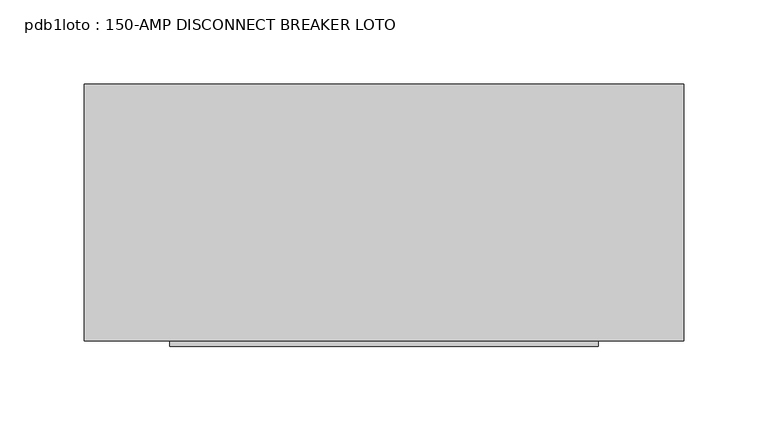
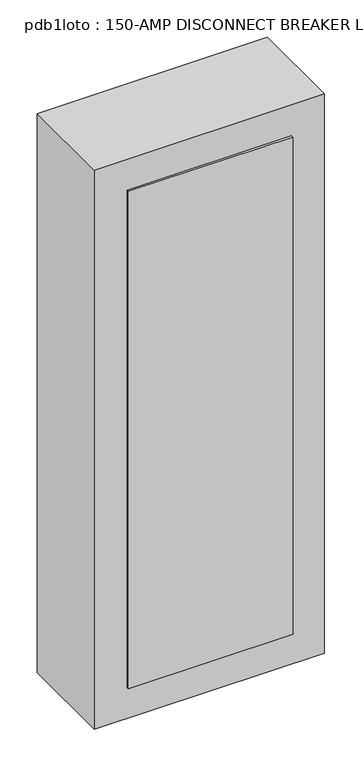
"""IFC4 building model written with IfcOpenShell, lengths in millimetres: proxy geometry, pdb1loto : 150-AMP DISCONNECT BREAKER LOTO."""

import ifcopenshell
import ifcopenshell.guid

model = None  # the IFC model being written
_history = None  # IfcOwnerHistory: only IFC2X3 demands one
_inside = {}  # id of a spatial element -> (the spatial element, [elements in it])
_under = {}  # id of a project, library or spatial element -> (it, [spatial elements below it])
_declared = {}  # id of a project -> (the project, [libraries it declares])
_typed = {}  # id of a type object -> (the type object, [elements of that type])
_made_of = {}  # id of a material, layer set ... -> (it, [elements and type objects made of it])


def new_model(schema):
    """Start an empty IFC model of exactly this schema.

    Asked for "IFC4X3", IfcOpenShell would pick the latest addendum, in which some entities
    have other attributes; the version numbers below select the first issue.
    IFC2X3 requires an IfcOwnerHistory on every rooted entity: one is made here for all.
    """
    global model, _history
    if schema == "IFC4X3":
        model = ifcopenshell.file(schema_version=(4, 3, 0, 0))
    else:
        model = ifcopenshell.file(schema=schema)
    _inside.clear()
    _under.clear()
    _declared.clear()
    _typed.clear()
    _made_of.clear()
    _history = None
    if model.schema == "IFC2X3":
        org = make("IfcOrganization", Name="unknown")
        user = make(
            "IfcPersonAndOrganization",
            ThePerson=make("IfcPerson", FamilyName="unknown"),
            TheOrganization=org,
        )
        app = make(
            "IfcApplication",
            ApplicationDeveloper=org,
            Version="unknown",
            ApplicationFullName="unknown",
            ApplicationIdentifier="unknown",
        )
        _history = make(
            "IfcOwnerHistory",
            OwningUser=user,
            OwningApplication=app,
            ChangeAction="ADDED",
            CreationDate=0,
        )
    return model


def make(cls, **values):
    """One entity of the class cls with the attributes given. An attribute that is None is left unset."""
    return model.create_entity(
        cls, **{name: value for name, value in values.items() if value is not None}
    )


def rooted(cls, **values):
    """An entity with a GlobalId (a new one), such as an element, a storey or a relation."""
    return make(cls, GlobalId=ifcopenshell.guid.new(), OwnerHistory=_history, **values)


def si_unit(unit_type, name, prefix=None):
    """IfcSIUnit, for example si_unit("LENGTHUNIT", "METRE", prefix="MILLI")."""
    return make("IfcSIUnit", UnitType=unit_type, Prefix=prefix, Name=name)


def assignment(units):
    """IfcUnitAssignment: the units of a project."""
    return None if units is None else make("IfcUnitAssignment", Units=units)


def point(xyz):
    """IfcCartesianPoint."""
    return None if xyz is None else make("IfcCartesianPoint", Coordinates=xyz)


def direction(xyz):
    """IfcDirection."""
    return None if xyz is None else make("IfcDirection", DirectionRatios=xyz)


def frame(location, z_axis=None, x_axis=None):
    """IfcAxis2Placement3D, a coordinate frame: its origin and axes. An axis left out is left unset."""
    return make(
        "IfcAxis2Placement3D",
        Location=point(location),
        Axis=direction(z_axis),
        RefDirection=direction(x_axis),
    )


def origin():
    """The frame at (0, 0, 0) with its axes left unset."""
    return frame((0.0, 0.0, 0.0))


def place(relative_to, where):
    """IfcLocalPlacement: puts the frame where relative to a parent placement (None: the world)."""
    return make(
        "IfcLocalPlacement", PlacementRelTo=relative_to, RelativePlacement=where
    )


def context(
    kind, dimensions, precision=None, world=None, true_north=None, identifier=None
):
    """IfcGeometricRepresentationContext, for example the 3D "Model" context."""
    return make(
        "IfcGeometricRepresentationContext",
        ContextIdentifier=identifier,
        ContextType=kind,
        CoordinateSpaceDimension=dimensions,
        Precision=precision,
        WorldCoordinateSystem=world,
        TrueNorth=true_north,
    )


def project(units=None, contexts=None):
    """IfcProject with its units and contexts."""
    return rooted(
        "IfcProject",
        Name="project",
        RepresentationContexts=contexts,
        UnitsInContext=assignment(units),
    )


def spatial(cls, under=None, at=None, **own):
    """A site, building, storey or space (cls), placed at a placement, below another one or the project."""
    s = rooted(cls, ObjectPlacement=at, **own)
    if under is not None:
        _under.setdefault(under.id(), (under, []))[1].append(s)
    return s


def polyline(points):
    """IfcPolyline through the points."""
    return make("IfcPolyline", Points=[point(p) for p in points])


def outline(outer, holes=None, kind="AREA"):
    """IfcArbitraryClosedProfileDef: a profile drawn as a closed curve; with holes, ...WithVoids."""
    if holes is None:
        return make("IfcArbitraryClosedProfileDef", ProfileType=kind, OuterCurve=outer)
    return make(
        "IfcArbitraryProfileDefWithVoids",
        ProfileType=kind,
        OuterCurve=outer,
        InnerCurves=holes,
    )


def extrude(swept, where, along, depth):
    """IfcExtrudedAreaSolid: the profile swept, set in the frame where, extruded along a direction by depth."""
    return make(
        "IfcExtrudedAreaSolid",
        SweptArea=swept,
        Position=where,
        ExtrudedDirection=direction(along),
        Depth=depth,
    )


def shape(context_of_items, identifier, shape_type, items):
    """IfcShapeRepresentation: the items that make up one representation, for example the "Body"."""
    return make(
        "IfcShapeRepresentation",
        ContextOfItems=context_of_items,
        RepresentationIdentifier=identifier,
        RepresentationType=shape_type,
        Items=items,
    )


def source(mapping_origin, context_of_items, identifier, shape_type, items):
    """IfcRepresentationMap: a shape defined once, which mapped items show again and again."""
    return make(
        "IfcRepresentationMap",
        MappingOrigin=mapping_origin,
        MappedRepresentation=shape(context_of_items, identifier, shape_type, items),
    )


def transform(
    local_origin,
    x_axis=None,
    y_axis=None,
    z_axis=None,
    scale=None,
    scale2=None,
    scale3=None,
    uniform=True,
):
    """IfcCartesianTransformationOperator3D, or its non-uniform kind. x_axis, y_axis, z_axis: its Axis1, 2, 3."""
    if uniform:
        return make(
            "IfcCartesianTransformationOperator3D",
            Axis1=direction(x_axis),
            Axis2=direction(y_axis),
            LocalOrigin=point(local_origin),
            Scale=scale,
            Axis3=direction(z_axis),
        )
    return make(
        "IfcCartesianTransformationOperator3DnonUniform",
        Axis1=direction(x_axis),
        Axis2=direction(y_axis),
        LocalOrigin=point(local_origin),
        Scale=scale,
        Axis3=direction(z_axis),
        Scale2=scale2,
        Scale3=scale3,
    )


def mapped(mapping_source, mapping_target):
    """IfcMappedItem: shows the shape of a source again, moved by a transform."""
    return make(
        "IfcMappedItem", MappingSource=mapping_source, MappingTarget=mapping_target
    )


def made_of(thing, what):
    """Note that an element or type object is made of a material, layer set ...; save() writes the relation."""
    if what is not None:
        _made_of.setdefault(what.id(), (what, []))[1].append(thing)
    return thing


def element(
    cls,
    number,
    at=None,
    inside=None,
    cuts=None,
    type_object=None,
    material=None,
    context=None,
    identifier="Body",
    shape_type=None,
    held_by="IfcProductDefinitionShape",
    body=None,
    shapes=None,
    **own,
):
    """One element of the class cls, such as IfcWall. Its Tag is "e" and its number.

    at: its placement. inside: the storey or other place that contains it. cuts: it is an
    opening in that element (IfcRelVoidsElement). A single representation is given by context,
    identifier, shape_type and body (its items); several are given by shapes. held_by: the class
    of the entity that holds the representations. save() writes the other relations.
    """
    e = rooted(cls, Tag="e%d" % number, ObjectPlacement=at, **own)
    if body is not None:
        shapes = [shape(context, identifier, shape_type, body)]
    if shapes is not None:
        e.Representation = make(held_by, Representations=shapes)
    if inside is not None:
        _inside.setdefault(inside.id(), (inside, []))[1].append(e)
    if cuts is not None:
        rooted(
            "IfcRelVoidsElement", RelatingBuildingElement=cuts, RelatedOpeningElement=e
        )
    if type_object is not None:
        _typed.setdefault(type_object.id(), (type_object, []))[1].append(e)
    return made_of(e, material)


def aggregate(whole, parts):
    """IfcRelAggregates: a whole, such as a stair, and the parts it consists of."""
    return rooted("IfcRelAggregates", RelatingObject=whole, RelatedObjects=parts)


def save(model, path):
    """Write the relations noted so far, then the file.

    IfcRelAggregates (storeys below a building ...), IfcRelContainedInSpatialStructure (elements
    in a storey), IfcRelDefinesByType, IfcRelAssociatesMaterial and IfcRelDeclares: one each for
    every whole, place, type object, material and project.
    """
    for whole, parts in _under.values():
        aggregate(whole, parts)
    for where, things in _inside.values():
        rooted(
            "IfcRelContainedInSpatialStructure",
            RelatedElements=things,
            RelatingStructure=where,
        )
    for kind, things in _typed.values():
        rooted("IfcRelDefinesByType", RelatedObjects=things, RelatingType=kind)
    for what, things in _made_of.values():
        rooted("IfcRelAssociatesMaterial", RelatedObjects=things, RelatingMaterial=what)
    for by, libraries in _declared.values():
        rooted("IfcRelDeclares", RelatingContext=by, RelatedDefinitions=libraries)
    model.write(path)


def pdb1loto_150_amp_disconnect_breaker_loto_16994026(model_context):
    return source(origin(), model_context, "Body", "SweptSolid", [
        extrude(outline(polyline([(50.8, -79.375), (-203.2, -79.375), (-203.2, -76.2), (50.8, -76.2), (50.8, -79.375)])), frame((0.0, 0.0, 1270.0), z_axis=(0.0, 0.0, 1.0), x_axis=(1.0, 0.0, 0.0)), (0.0, 0.0, 1.0), 812.8),
        extrude(outline(polyline([(101.6, 76.2), (101.6, -76.2), (-254.0, -76.2), (-254.0, 76.2), (101.6, 76.2)])), frame((0.0, 0.0, 1219.2), z_axis=(0.0, 0.0, 1.0), x_axis=(1.0, 0.0, 0.0)), (0.0, 0.0, 1.0), 914.4),
    ])


if __name__ == "__main__":
    model = new_model("IFC4")
    model_context = context("Model", 3, world=origin())
    ifc_project = project(units=[si_unit("LENGTHUNIT", "METRE", prefix="MILLI")], contexts=[model_context])
    site = spatial("IfcSite", under=ifc_project)
    building = spatial("IfcBuilding", under=site)
    placement = place(None, origin())
    pdb1loto_150_amp_disconnect_breaker_loto_shape = pdb1loto_150_amp_disconnect_breaker_loto_16994026(model_context)
    element("IfcBuildingElementProxy", 1, Name="pdb1loto : 150-AMP DISCONNECT BREAKER LOTO", ObjectType="pdb1loto : 150-AMP DISCONNECT BREAKER LOTO", at=placement, inside=building, context=model_context, shape_type="MappedRepresentation", body=[
        mapped(pdb1loto_150_amp_disconnect_breaker_loto_shape, transform((0.0, 0.0, 0.0), x_axis=(1.0, 0.0, 0.0), y_axis=(0.0, 1.0, 0.0), z_axis=(0.0, 0.0, 1.0))),
    ])
    save(model, "model.ifc")
